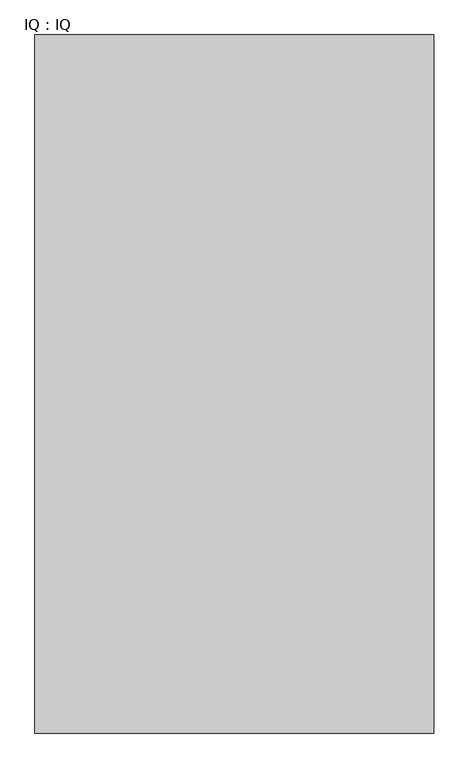
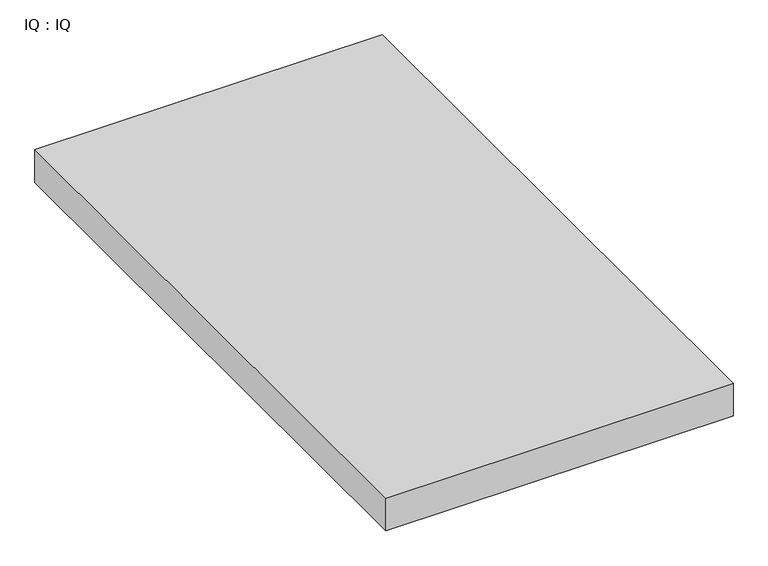
"""IFC4 building model written with IfcOpenShell, lengths in millimetres: proxy geometry, IQ : IQ."""

from ifc_helpers import new_model, si_unit, frame, origin, place, context, project, spatial, polyline, outline, extrude, source, transform, mapped, element, save


def iq_iq_c04c2811(model_context):
    return source(origin(), model_context, "Body", "SweptSolid", [
        extrude(outline(polyline([(2000.0, 3500.0), (2000.0, 0.0), (0.0, 0.0), (0.0, 3500.0), (2000.0, 3500.0)])), frame((0.0, 0.0, 200.0), z_axis=(0.0, 0.0, 1.0), x_axis=(1.0, 0.0, 0.0)), (0.0, 0.0, 1.0), 200.0),
    ])


if __name__ == "__main__":
    model = new_model("IFC4")
    model_context = context("Model", 3, world=origin())
    ifc_project = project(units=[si_unit("LENGTHUNIT", "METRE", prefix="MILLI")], contexts=[model_context])
    site = spatial("IfcSite", under=ifc_project)
    building = spatial("IfcBuilding", under=site)
    placement = place(None, origin())
    iq_iq_shape = iq_iq_c04c2811(model_context)
    element("IfcBuildingElementProxy", 1, Name="IQ : IQ", ObjectType="IQ : IQ", at=placement, inside=building, context=model_context, shape_type="MappedRepresentation", body=[
        mapped(iq_iq_shape, transform((0.0, 0.0, 0.0), x_axis=(1.0, 0.0, 0.0), y_axis=(0.0, 1.0, 0.0), z_axis=(0.0, 0.0, 1.0))),
    ])
    save(model, "model.ifc")
